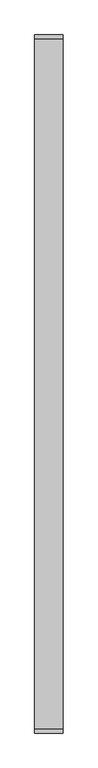
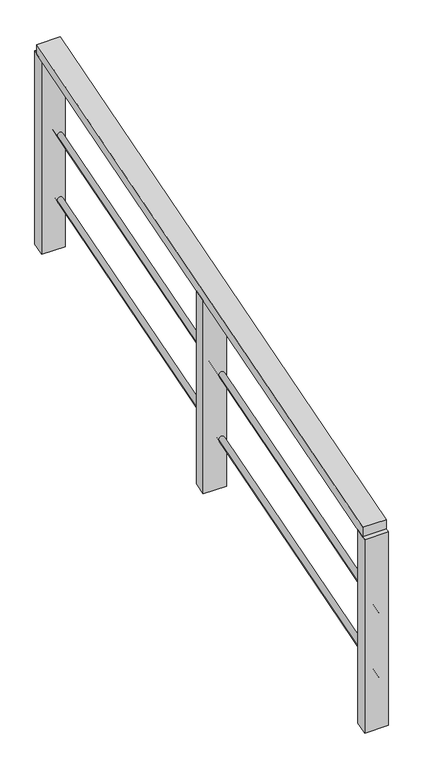
"""IFC4 building model written with IfcOpenShell, lengths in millimetres: railing geometry."""

from ifc_helpers import new_model, si_unit, frame, origin, place, context, project, spatial, polyline, ellipse_curve, outline, extrude, faceted_brep, source, transform, mapped, element, save
from ifc_brep_helpers import plane_surface, cylinder_surface, advanced_brep


def railing_e791b68b(model_context):
    return source(origin(), model_context, "Body", "SolidModel", [
        faceted_brep([(29982.3948916, 93458.606938, -2636.1655263), (30102.3948916, 93458.606938, -2636.1655263), (30102.3948916, 93458.606938, -2688.3202091), (29982.3948916, 93458.606938, -2688.3202091), (29982.3948916, 90558.606938, -3496.6614188), (29982.3948916, 90558.606938, -3548.8161016), (30102.3948916, 90558.606938, -3548.8161016), (30102.3948916, 90558.606938, -3496.6614188)], [[[0, 1, 2, 3]], [[4, 5, 6, 7]], [[1, 0, 4, 7]], [[2, 1, 7, 6]], [[3, 2, 6, 5]], [[0, 3, 5, 4]]]),
        advanced_brep(
        [(30092.3948916, 93458.606938, -3121.8119312), (30062.3948916, 93458.606938, -3121.8119312), (30092.3948916, 90558.606938, -3982.3078236), (30062.3948916, 90558.606938, -3982.3078236)],
        [
            (0, 1, ellipse_curve(frame((30077.3948916, 93458.606938, -3121.8119312), z_axis=(0.0, 1.0, 0.0), x_axis=(0.0, 0.0, 1.0)), 15.6464048, 15.0)),
            (1, 0, ellipse_curve(frame((30077.3948916, 93458.606938, -3121.8119312), z_axis=(0.0, 1.0, 0.0), x_axis=(0.0, 0.0, 1.0)), 15.6464048, 15.0)),
            (2, 3, ellipse_curve(frame((30077.3948916, 90558.606938, -3982.3078236), z_axis=(0.0, -1.0, 0.0), x_axis=(0.0, 0.0, 1.0)), 15.6464048, 15.0)),
            (3, 2, ellipse_curve(frame((30077.3948916, 90558.606938, -3982.3078236), z_axis=(0.0, -1.0, 0.0), x_axis=(0.0, 0.0, 1.0)), 15.6464048, 15.0)),
            (0, 2),
            (3, 1),
        ],
        [
            plane_surface(frame((30077.3948916, 93458.606938, -3106.1655263), z_axis=(0.0, 1.0, 0.0), x_axis=(0.0, 0.0, -1.0))),
            plane_surface(frame((30077.3948916, 90558.606938, -3966.6614188), z_axis=(0.0, -1.0, 0.0), x_axis=(0.0, 0.0, -1.0))),
            cylinder_surface(frame((30077.3948916, 93462.8738998, -3120.5458266), z_axis=(0.0, 0.95868668650349, 0.2844641227307219), x_axis=(-1.0, 0.0, 0.0)), 15.0),
        ],
        [
            (0, [[1, 2]]),
            (1, [[3, 4]]),
            (2, [[-1, 5, -4, 6]]),
            (2, [[-2, -6, -3, -5]]),
        ],
    ),
        advanced_brep(
        [(30092.3948916, 93458.606938, -3471.8119312), (30062.3948916, 93458.606938, -3471.8119312), (30092.3948916, 90558.606938, -4332.3078236), (30062.3948916, 90558.606938, -4332.3078236)],
        [
            (0, 1, ellipse_curve(frame((30077.3948916, 93458.606938, -3471.8119312), z_axis=(0.0, 1.0, 0.0), x_axis=(0.0, 0.0, 1.0)), 15.6464048, 15.0)),
            (1, 0, ellipse_curve(frame((30077.3948916, 93458.606938, -3471.8119312), z_axis=(0.0, 1.0, 0.0), x_axis=(0.0, 0.0, 1.0)), 15.6464048, 15.0)),
            (2, 3, ellipse_curve(frame((30077.3948916, 90558.606938, -4332.3078236), z_axis=(0.0, -1.0, 0.0), x_axis=(0.0, 0.0, 1.0)), 15.6464048, 15.0)),
            (3, 2, ellipse_curve(frame((30077.3948916, 90558.606938, -4332.3078236), z_axis=(0.0, -1.0, 0.0), x_axis=(0.0, 0.0, 1.0)), 15.6464048, 15.0)),
            (0, 2),
            (3, 1),
        ],
        [
            plane_surface(frame((30077.3948916, 93458.606938, -3456.1655263), z_axis=(0.0, 1.0, 0.0), x_axis=(0.0, 0.0, -1.0))),
            plane_surface(frame((30077.3948916, 90558.606938, -4316.6614188), z_axis=(0.0, -1.0, 0.0), x_axis=(0.0, 0.0, -1.0))),
            cylinder_surface(frame((30077.3948916, 93462.8738998, -3470.5458266), z_axis=(0.0, 0.9586866865034899, 0.284464122730722), x_axis=(-1.0, 0.0, 0.0)), 15.0),
        ],
        [
            (0, [[1, 2]]),
            (1, [[3, 4]]),
            (2, [[-1, 5, -4, 6]]),
            (2, [[-2, -6, -3, -5]]),
        ],
    ),
        extrude(outline(polyline([(92038.606938, -3107.5117909), (92038.606938, -4157.5117909), (91978.606938, -4175.3151542), (91978.606938, -3125.3151542), (92038.606938, -3107.5117909)])), frame((29982.3948916, 0.0, 0.0), z_axis=(1.0, 0.0, 0.0), x_axis=(0.0, 1.0, 0.0)), (0.0, 0.0, 1.0), 120.0),
        extrude(outline(polyline([(90601.306938, -3533.9913586), (90601.306938, -4583.9913586), (90541.306938, -4601.7947219), (90541.306938, -3551.7947219), (90601.306938, -3533.9913586)])), frame((29982.3948916, 0.0, 0.0), z_axis=(1.0, 0.0, 0.0), x_axis=(0.0, 1.0, 0.0)), (0.0, 0.0, 1.0), 120.0),
        extrude(outline(polyline([(93475.906938, -2681.0322232), (93475.906938, -3731.0322232), (93415.906938, -3748.8355865), (93415.906938, -2698.8355865), (93475.906938, -2681.0322232)])), frame((29982.3948916, 0.0, 0.0), z_axis=(1.0, 0.0, 0.0), x_axis=(0.0, 1.0, 0.0)), (0.0, 0.0, 1.0), 120.0),
    ])


if __name__ == "__main__":
    model = new_model("IFC4")
    model_context = context("Model", 3, world=origin())
    ifc_project = project(units=[si_unit("LENGTHUNIT", "METRE", prefix="MILLI")], contexts=[model_context])
    site = spatial("IfcSite", under=ifc_project)
    building = spatial("IfcBuilding", under=site)
    placement = place(None, origin())
    railing_shape = railing_e791b68b(model_context)
    element("IfcRailing", 1, at=placement, inside=building, context=model_context, shape_type="MappedRepresentation", body=[
        mapped(railing_shape, transform((0.0, 0.0, 0.0), x_axis=(1.0, 0.0, 0.0), y_axis=(0.0, 1.0, 0.0), z_axis=(0.0, 0.0, 1.0))),
    ])
    save(model, "model.ifc")
